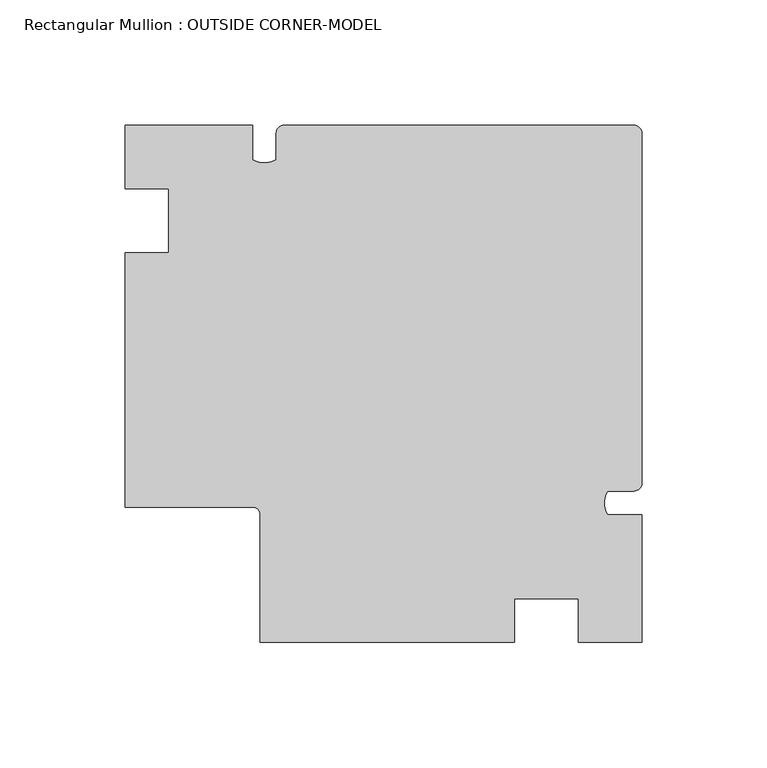
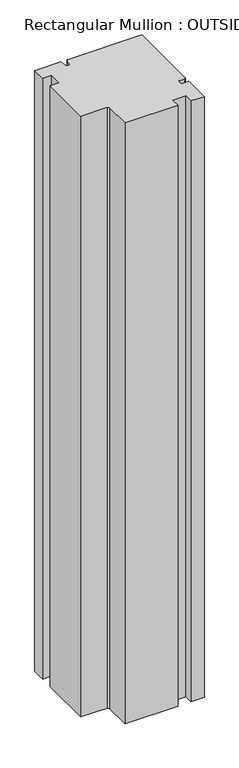
"""IFC4 building model written with IfcOpenShell, lengths in millimetres: member geometry, Rectangular Mullion : OUTSIDE CORNER-MODEL."""

from ifc_helpers import new_model, si_unit, point, frame, frame_2d, origin, place, context, project, spatial, polyline, circle_curve, trimmed, segment, composite_curve, outline, extrude, source, transform, mapped, element, save


def rectangular_mullion_outside_corner_model_4573d7f7(model_context):
    return source(origin(), model_context, "Body", "SweptSolid", [
        extrude(outline(composite_curve([segment(polyline([(-302.0822577, -44.45), (-284.6324577, -44.45), (-284.6324577, -19.05), (-302.0822577, -19.05), (-302.0822577, 6.35), (-251.2822577, 6.35), (-251.2822577, -7.4676)]), True, "CONTINUOUS"), segment(trimmed(circle_curve(frame_2d((-246.5197577, 0.781292)), 9.525), [point((-251.2822577, -7.4676))], [point((-241.7572577, -7.4676))], True, "CARTESIAN"), True, "CONTINUOUS"), segment(polyline([(-241.7572577, -7.4676), (-241.7572577, 3.175)]), True, "CONTINUOUS"), segment(trimmed(circle_curve(frame_2d((-238.5822577, 3.175)), 3.175), [point((-241.7572577, 3.175))], [point((-238.5822577, 6.35))], False, "CARTESIAN"), True, "CONTINUOUS"), segment(polyline([(-238.5822577, 6.35), (-98.8822577, 6.35)]), True, "CONTINUOUS"), segment(trimmed(circle_curve(frame_2d((-98.8822577, 3.175)), 3.175), [point((-98.8822577, 6.35))], [point((-95.7072577, 3.175))], False, "CARTESIAN"), True, "CONTINUOUS"), segment(polyline([(-95.7072577, 3.175), (-95.7072577, -136.525)]), True, "CONTINUOUS"), segment(trimmed(circle_curve(frame_2d((-98.8822577, -136.525)), 3.175), [point((-95.7072577, -136.525))], [point((-98.8822577, -139.7))], False, "CARTESIAN"), True, "CONTINUOUS"), segment(polyline([(-98.8822577, -139.7), (-109.5248577, -139.7)]), True, "CONTINUOUS"), segment(trimmed(circle_curve(frame_2d((-101.2759657, -144.4625)), 9.525), [point((-109.5248577, -139.7))], [point((-109.5248577, -149.225))], True, "CARTESIAN"), True, "CONTINUOUS"), segment(polyline([(-109.5248577, -149.225), (-95.7072577, -149.225), (-95.7072577, -200.025), (-121.1072577, -200.025), (-121.1072577, -182.5752), (-146.5072577, -182.5752), (-146.5072577, -200.025), (-248.1072577, -200.025), (-248.1072577, -149.225)]), True, "CONTINUOUS"), segment(trimmed(circle_curve(frame_2d((-251.2822577, -149.225)), 3.175), [point((-248.1072577, -149.225))], [point((-251.2822577, -146.05))], True, "CARTESIAN"), True, "CONTINUOUS"), segment(polyline([(-251.2822577, -146.05), (-302.0822577, -146.05), (-302.0822577, -44.45)]), True, "CONTINUOUS")], self_intersect=False)), frame((0.0, 0.0, -1219.2), z_axis=(0.0, 0.0, 1.0), x_axis=(1.0, 0.0, 0.0)), (0.0, 0.0, 1.0), 1219.2),
    ])


if __name__ == "__main__":
    model = new_model("IFC4")
    model_context = context("Model", 3, world=origin())
    ifc_project = project(units=[si_unit("LENGTHUNIT", "METRE", prefix="MILLI")], contexts=[model_context])
    site = spatial("IfcSite", under=ifc_project)
    building = spatial("IfcBuilding", under=site)
    placement = place(None, origin())
    rectangular_mullion_outside_corner_model_shape = rectangular_mullion_outside_corner_model_4573d7f7(model_context)
    element("IfcMember", 1, ObjectType="Rectangular Mullion : OUTSIDE CORNER-MODEL", at=placement, inside=building, context=model_context, shape_type="MappedRepresentation", body=[
        mapped(rectangular_mullion_outside_corner_model_shape, transform((0.0, 0.0, 0.0), x_axis=(1.0, 0.0, 0.0), y_axis=(0.0, 1.0, 0.0), z_axis=(0.0, 0.0, 1.0))),
    ])
    save(model, "model.ifc")
